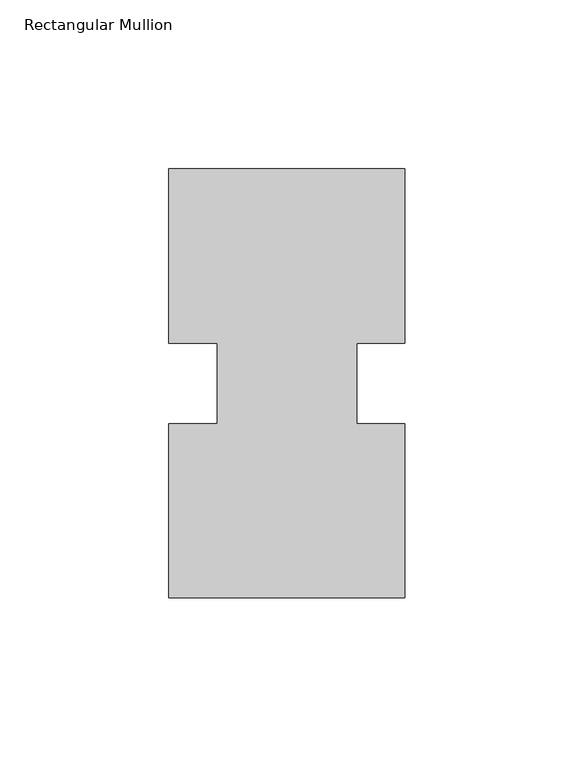
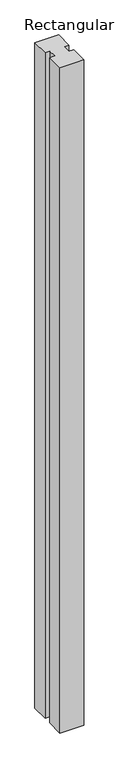
"""IFC4 building model written with IfcOpenShell, lengths in millimetres: member geometry, Rectangular Mullion."""

from ifc_helpers import new_model, si_unit, frame, origin, place, context, project, spatial, polyline, outline, extrude, source, transform, mapped, element, save


def rectangular_mullion_d8b6d478(model_context):
    return source(origin(), model_context, "Body", "SweptSolid", [
        extrude(outline(polyline([(-34.925, 127.00635), (34.925, 127.00635), (34.925, 75.40625), (20.6375, 75.40625), (20.6375, 51.60645), (34.925, 51.60645), (34.925, 0.00635), (-34.925, 0.00635), (-34.925, 51.60645), (-20.6375, 51.60645), (-20.6375, 75.40625), (-34.925, 75.40625), (-34.925, 127.00635)])), frame((0.0, 0.0, -2057.4), z_axis=(0.0, 0.0, 1.0), x_axis=(1.0, 0.0, 0.0)), (0.0, 0.0, 1.0), 2057.4),
    ])


if __name__ == "__main__":
    model = new_model("IFC4")
    model_context = context("Model", 3, world=origin())
    ifc_project = project(units=[si_unit("LENGTHUNIT", "METRE", prefix="MILLI")], contexts=[model_context])
    site = spatial("IfcSite", under=ifc_project)
    building = spatial("IfcBuilding", under=site)
    placement = place(None, origin())
    rectangular_mullion_shape = rectangular_mullion_d8b6d478(model_context)
    element("IfcMember", 1, ObjectType="Rectangular Mullion", at=placement, inside=building, context=model_context, shape_type="MappedRepresentation", body=[
        mapped(rectangular_mullion_shape, transform((0.0, 0.0, 0.0), x_axis=(1.0, 0.0, 0.0), y_axis=(0.0, 1.0, 0.0), z_axis=(0.0, 0.0, 1.0))),
    ])
    save(model, "model.ifc")
